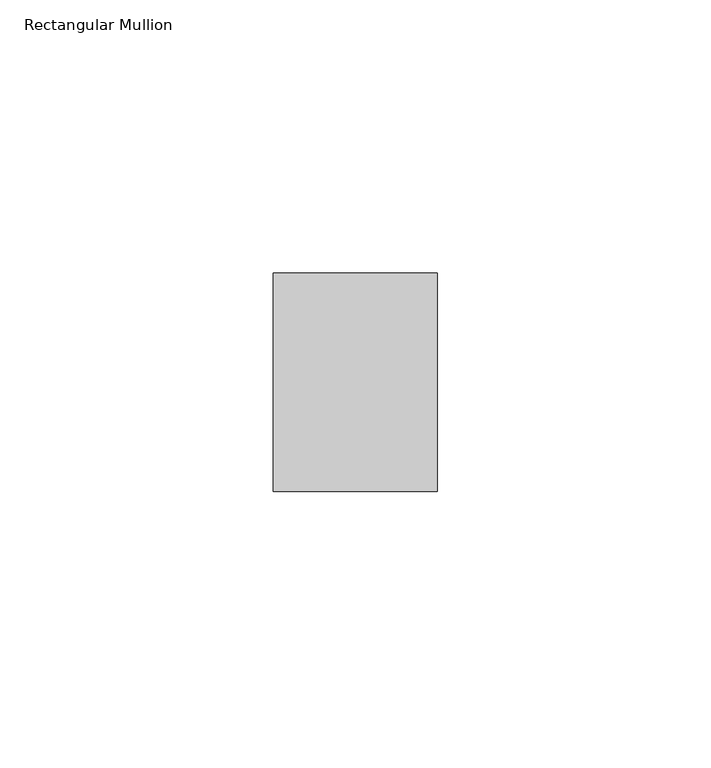
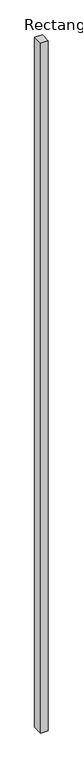
"""IFC4 building model written with IfcOpenShell, lengths in millimetres: member geometry, Rectangular Mullion."""

import ifcopenshell
import ifcopenshell.guid

model = None  # the IFC model being written
_history = None  # IfcOwnerHistory: only IFC2X3 demands one
_inside = {}  # id of a spatial element -> (the spatial element, [elements in it])
_under = {}  # id of a project, library or spatial element -> (it, [spatial elements below it])
_declared = {}  # id of a project -> (the project, [libraries it declares])
_typed = {}  # id of a type object -> (the type object, [elements of that type])
_made_of = {}  # id of a material, layer set ... -> (it, [elements and type objects made of it])


def new_model(schema):
    """Start an empty IFC model of exactly this schema.

    Asked for "IFC4X3", IfcOpenShell would pick the latest addendum, in which some entities
    have other attributes; the version numbers below select the first issue.
    IFC2X3 requires an IfcOwnerHistory on every rooted entity: one is made here for all.
    """
    global model, _history
    if schema == "IFC4X3":
        model = ifcopenshell.file(schema_version=(4, 3, 0, 0))
    else:
        model = ifcopenshell.file(schema=schema)
    _inside.clear()
    _under.clear()
    _declared.clear()
    _typed.clear()
    _made_of.clear()
    _history = None
    if model.schema == "IFC2X3":
        org = make("IfcOrganization", Name="unknown")
        user = make(
            "IfcPersonAndOrganization",
            ThePerson=make("IfcPerson", FamilyName="unknown"),
            TheOrganization=org,
        )
        app = make(
            "IfcApplication",
            ApplicationDeveloper=org,
            Version="unknown",
            ApplicationFullName="unknown",
            ApplicationIdentifier="unknown",
        )
        _history = make(
            "IfcOwnerHistory",
            OwningUser=user,
            OwningApplication=app,
            ChangeAction="ADDED",
            CreationDate=0,
        )
    return model


def make(cls, **values):
    """One entity of the class cls with the attributes given. An attribute that is None is left unset."""
    return model.create_entity(
        cls, **{name: value for name, value in values.items() if value is not None}
    )


def rooted(cls, **values):
    """An entity with a GlobalId (a new one), such as an element, a storey or a relation."""
    return make(cls, GlobalId=ifcopenshell.guid.new(), OwnerHistory=_history, **values)


def si_unit(unit_type, name, prefix=None):
    """IfcSIUnit, for example si_unit("LENGTHUNIT", "METRE", prefix="MILLI")."""
    return make("IfcSIUnit", UnitType=unit_type, Prefix=prefix, Name=name)


def assignment(units):
    """IfcUnitAssignment: the units of a project."""
    return None if units is None else make("IfcUnitAssignment", Units=units)


def point(xyz):
    """IfcCartesianPoint."""
    return None if xyz is None else make("IfcCartesianPoint", Coordinates=xyz)


def direction(xyz):
    """IfcDirection."""
    return None if xyz is None else make("IfcDirection", DirectionRatios=xyz)


def frame(location, z_axis=None, x_axis=None):
    """IfcAxis2Placement3D, a coordinate frame: its origin and axes. An axis left out is left unset."""
    return make(
        "IfcAxis2Placement3D",
        Location=point(location),
        Axis=direction(z_axis),
        RefDirection=direction(x_axis),
    )


def origin():
    """The frame at (0, 0, 0) with its axes left unset."""
    return frame((0.0, 0.0, 0.0))


def place(relative_to, where):
    """IfcLocalPlacement: puts the frame where relative to a parent placement (None: the world)."""
    return make(
        "IfcLocalPlacement", PlacementRelTo=relative_to, RelativePlacement=where
    )


def context(
    kind, dimensions, precision=None, world=None, true_north=None, identifier=None
):
    """IfcGeometricRepresentationContext, for example the 3D "Model" context."""
    return make(
        "IfcGeometricRepresentationContext",
        ContextIdentifier=identifier,
        ContextType=kind,
        CoordinateSpaceDimension=dimensions,
        Precision=precision,
        WorldCoordinateSystem=world,
        TrueNorth=true_north,
    )


def project(units=None, contexts=None):
    """IfcProject with its units and contexts."""
    return rooted(
        "IfcProject",
        Name="project",
        RepresentationContexts=contexts,
        UnitsInContext=assignment(units),
    )


def spatial(cls, under=None, at=None, **own):
    """A site, building, storey or space (cls), placed at a placement, below another one or the project."""
    s = rooted(cls, ObjectPlacement=at, **own)
    if under is not None:
        _under.setdefault(under.id(), (under, []))[1].append(s)
    return s


def polyline(points):
    """IfcPolyline through the points."""
    return make("IfcPolyline", Points=[point(p) for p in points])


def outline(outer, holes=None, kind="AREA"):
    """IfcArbitraryClosedProfileDef: a profile drawn as a closed curve; with holes, ...WithVoids."""
    if holes is None:
        return make("IfcArbitraryClosedProfileDef", ProfileType=kind, OuterCurve=outer)
    return make(
        "IfcArbitraryProfileDefWithVoids",
        ProfileType=kind,
        OuterCurve=outer,
        InnerCurves=holes,
    )


def extrude(swept, where, along, depth):
    """IfcExtrudedAreaSolid: the profile swept, set in the frame where, extruded along a direction by depth."""
    return make(
        "IfcExtrudedAreaSolid",
        SweptArea=swept,
        Position=where,
        ExtrudedDirection=direction(along),
        Depth=depth,
    )


def shape(context_of_items, identifier, shape_type, items):
    """IfcShapeRepresentation: the items that make up one representation, for example the "Body"."""
    return make(
        "IfcShapeRepresentation",
        ContextOfItems=context_of_items,
        RepresentationIdentifier=identifier,
        RepresentationType=shape_type,
        Items=items,
    )


def source(mapping_origin, context_of_items, identifier, shape_type, items):
    """IfcRepresentationMap: a shape defined once, which mapped items show again and again."""
    return make(
        "IfcRepresentationMap",
        MappingOrigin=mapping_origin,
        MappedRepresentation=shape(context_of_items, identifier, shape_type, items),
    )


def transform(
    local_origin,
    x_axis=None,
    y_axis=None,
    z_axis=None,
    scale=None,
    scale2=None,
    scale3=None,
    uniform=True,
):
    """IfcCartesianTransformationOperator3D, or its non-uniform kind. x_axis, y_axis, z_axis: its Axis1, 2, 3."""
    if uniform:
        return make(
            "IfcCartesianTransformationOperator3D",
            Axis1=direction(x_axis),
            Axis2=direction(y_axis),
            LocalOrigin=point(local_origin),
            Scale=scale,
            Axis3=direction(z_axis),
        )
    return make(
        "IfcCartesianTransformationOperator3DnonUniform",
        Axis1=direction(x_axis),
        Axis2=direction(y_axis),
        LocalOrigin=point(local_origin),
        Scale=scale,
        Axis3=direction(z_axis),
        Scale2=scale2,
        Scale3=scale3,
    )


def mapped(mapping_source, mapping_target):
    """IfcMappedItem: shows the shape of a source again, moved by a transform."""
    return make(
        "IfcMappedItem", MappingSource=mapping_source, MappingTarget=mapping_target
    )


def made_of(thing, what):
    """Note that an element or type object is made of a material, layer set ...; save() writes the relation."""
    if what is not None:
        _made_of.setdefault(what.id(), (what, []))[1].append(thing)
    return thing


def element(
    cls,
    number,
    at=None,
    inside=None,
    cuts=None,
    type_object=None,
    material=None,
    context=None,
    identifier="Body",
    shape_type=None,
    held_by="IfcProductDefinitionShape",
    body=None,
    shapes=None,
    **own,
):
    """One element of the class cls, such as IfcWall. Its Tag is "e" and its number.

    at: its placement. inside: the storey or other place that contains it. cuts: it is an
    opening in that element (IfcRelVoidsElement). A single representation is given by context,
    identifier, shape_type and body (its items); several are given by shapes. held_by: the class
    of the entity that holds the representations. save() writes the other relations.
    """
    e = rooted(cls, Tag="e%d" % number, ObjectPlacement=at, **own)
    if body is not None:
        shapes = [shape(context, identifier, shape_type, body)]
    if shapes is not None:
        e.Representation = make(held_by, Representations=shapes)
    if inside is not None:
        _inside.setdefault(inside.id(), (inside, []))[1].append(e)
    if cuts is not None:
        rooted(
            "IfcRelVoidsElement", RelatingBuildingElement=cuts, RelatedOpeningElement=e
        )
    if type_object is not None:
        _typed.setdefault(type_object.id(), (type_object, []))[1].append(e)
    return made_of(e, material)


def aggregate(whole, parts):
    """IfcRelAggregates: a whole, such as a stair, and the parts it consists of."""
    return rooted("IfcRelAggregates", RelatingObject=whole, RelatedObjects=parts)


def save(model, path):
    """Write the relations noted so far, then the file.

    IfcRelAggregates (storeys below a building ...), IfcRelContainedInSpatialStructure (elements
    in a storey), IfcRelDefinesByType, IfcRelAssociatesMaterial and IfcRelDeclares: one each for
    every whole, place, type object, material and project.
    """
    for whole, parts in _under.values():
        aggregate(whole, parts)
    for where, things in _inside.values():
        rooted(
            "IfcRelContainedInSpatialStructure",
            RelatedElements=things,
            RelatingStructure=where,
        )
    for kind, things in _typed.values():
        rooted("IfcRelDefinesByType", RelatedObjects=things, RelatingType=kind)
    for what, things in _made_of.values():
        rooted("IfcRelAssociatesMaterial", RelatedObjects=things, RelatingMaterial=what)
    for by, libraries in _declared.values():
        rooted("IfcRelDeclares", RelatingContext=by, RelatedDefinitions=libraries)
    model.write(path)


def rectangular_mullion_d06c662e(model_context):
    return source(origin(), model_context, "Body", "SweptSolid", [
        extrude(outline(polyline([(0.0, 20.0), (0.0, -20.0), (-30.0, -20.0), (-30.0, 20.0), (0.0, 20.0)])), frame((0.0, 0.0, -2850.0), z_axis=(0.0, 0.0, 1.0), x_axis=(1.0, 0.0, 0.0)), (0.0, 0.0, 1.0), 2850.0),
    ])


if __name__ == "__main__":
    model = new_model("IFC4")
    model_context = context("Model", 3, world=origin())
    ifc_project = project(units=[si_unit("LENGTHUNIT", "METRE", prefix="MILLI")], contexts=[model_context])
    site = spatial("IfcSite", under=ifc_project)
    building = spatial("IfcBuilding", under=site)
    placement = place(None, origin())
    rectangular_mullion_shape = rectangular_mullion_d06c662e(model_context)
    element("IfcMember", 1, ObjectType="Rectangular Mullion", at=placement, inside=building, context=model_context, shape_type="MappedRepresentation", body=[
        mapped(rectangular_mullion_shape, transform((0.0, 0.0, 0.0), x_axis=(1.0, 0.0, 0.0), y_axis=(0.0, 1.0, 0.0), z_axis=(0.0, 0.0, 1.0))),
    ])
    save(model, "model.ifc")
